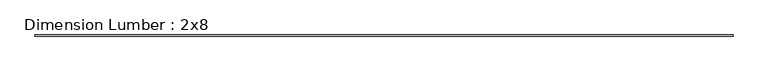
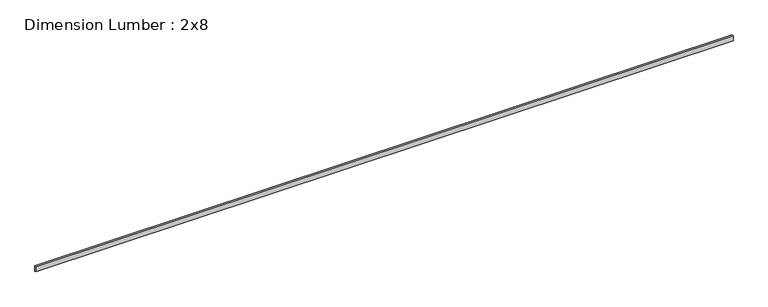
"""IFC4 building model written with IfcOpenShell, lengths in millimetres: beam geometry, Dimension Lumber : 2x8."""

import ifcopenshell
import ifcopenshell.guid

model = None  # the IFC model being written
_history = None  # IfcOwnerHistory: only IFC2X3 demands one
_inside = {}  # id of a spatial element -> (the spatial element, [elements in it])
_under = {}  # id of a project, library or spatial element -> (it, [spatial elements below it])
_declared = {}  # id of a project -> (the project, [libraries it declares])
_typed = {}  # id of a type object -> (the type object, [elements of that type])
_made_of = {}  # id of a material, layer set ... -> (it, [elements and type objects made of it])


def new_model(schema):
    """Start an empty IFC model of exactly this schema.

    Asked for "IFC4X3", IfcOpenShell would pick the latest addendum, in which some entities
    have other attributes; the version numbers below select the first issue.
    IFC2X3 requires an IfcOwnerHistory on every rooted entity: one is made here for all.
    """
    global model, _history
    if schema == "IFC4X3":
        model = ifcopenshell.file(schema_version=(4, 3, 0, 0))
    else:
        model = ifcopenshell.file(schema=schema)
    _inside.clear()
    _under.clear()
    _declared.clear()
    _typed.clear()
    _made_of.clear()
    _history = None
    if model.schema == "IFC2X3":
        org = make("IfcOrganization", Name="unknown")
        user = make(
            "IfcPersonAndOrganization",
            ThePerson=make("IfcPerson", FamilyName="unknown"),
            TheOrganization=org,
        )
        app = make(
            "IfcApplication",
            ApplicationDeveloper=org,
            Version="unknown",
            ApplicationFullName="unknown",
            ApplicationIdentifier="unknown",
        )
        _history = make(
            "IfcOwnerHistory",
            OwningUser=user,
            OwningApplication=app,
            ChangeAction="ADDED",
            CreationDate=0,
        )
    return model


def make(cls, **values):
    """One entity of the class cls with the attributes given. An attribute that is None is left unset."""
    return model.create_entity(
        cls, **{name: value for name, value in values.items() if value is not None}
    )


def rooted(cls, **values):
    """An entity with a GlobalId (a new one), such as an element, a storey or a relation."""
    return make(cls, GlobalId=ifcopenshell.guid.new(), OwnerHistory=_history, **values)


def si_unit(unit_type, name, prefix=None):
    """IfcSIUnit, for example si_unit("LENGTHUNIT", "METRE", prefix="MILLI")."""
    return make("IfcSIUnit", UnitType=unit_type, Prefix=prefix, Name=name)


def assignment(units):
    """IfcUnitAssignment: the units of a project."""
    return None if units is None else make("IfcUnitAssignment", Units=units)


def point(xyz):
    """IfcCartesianPoint."""
    return None if xyz is None else make("IfcCartesianPoint", Coordinates=xyz)


def direction(xyz):
    """IfcDirection."""
    return None if xyz is None else make("IfcDirection", DirectionRatios=xyz)


def frame(location, z_axis=None, x_axis=None):
    """IfcAxis2Placement3D, a coordinate frame: its origin and axes. An axis left out is left unset."""
    return make(
        "IfcAxis2Placement3D",
        Location=point(location),
        Axis=direction(z_axis),
        RefDirection=direction(x_axis),
    )


def origin():
    """The frame at (0, 0, 0) with its axes left unset."""
    return frame((0.0, 0.0, 0.0))


def place(relative_to, where):
    """IfcLocalPlacement: puts the frame where relative to a parent placement (None: the world)."""
    return make(
        "IfcLocalPlacement", PlacementRelTo=relative_to, RelativePlacement=where
    )


def context(
    kind, dimensions, precision=None, world=None, true_north=None, identifier=None
):
    """IfcGeometricRepresentationContext, for example the 3D "Model" context."""
    return make(
        "IfcGeometricRepresentationContext",
        ContextIdentifier=identifier,
        ContextType=kind,
        CoordinateSpaceDimension=dimensions,
        Precision=precision,
        WorldCoordinateSystem=world,
        TrueNorth=true_north,
    )


def project(units=None, contexts=None):
    """IfcProject with its units and contexts."""
    return rooted(
        "IfcProject",
        Name="project",
        RepresentationContexts=contexts,
        UnitsInContext=assignment(units),
    )


def spatial(cls, under=None, at=None, **own):
    """A site, building, storey or space (cls), placed at a placement, below another one or the project."""
    s = rooted(cls, ObjectPlacement=at, **own)
    if under is not None:
        _under.setdefault(under.id(), (under, []))[1].append(s)
    return s


def polyline(points):
    """IfcPolyline through the points."""
    return make("IfcPolyline", Points=[point(p) for p in points])


def outline(outer, holes=None, kind="AREA"):
    """IfcArbitraryClosedProfileDef: a profile drawn as a closed curve; with holes, ...WithVoids."""
    if holes is None:
        return make("IfcArbitraryClosedProfileDef", ProfileType=kind, OuterCurve=outer)
    return make(
        "IfcArbitraryProfileDefWithVoids",
        ProfileType=kind,
        OuterCurve=outer,
        InnerCurves=holes,
    )


def extrude(swept, where, along, depth):
    """IfcExtrudedAreaSolid: the profile swept, set in the frame where, extruded along a direction by depth."""
    return make(
        "IfcExtrudedAreaSolid",
        SweptArea=swept,
        Position=where,
        ExtrudedDirection=direction(along),
        Depth=depth,
    )


def shape(context_of_items, identifier, shape_type, items):
    """IfcShapeRepresentation: the items that make up one representation, for example the "Body"."""
    return make(
        "IfcShapeRepresentation",
        ContextOfItems=context_of_items,
        RepresentationIdentifier=identifier,
        RepresentationType=shape_type,
        Items=items,
    )


def source(mapping_origin, context_of_items, identifier, shape_type, items):
    """IfcRepresentationMap: a shape defined once, which mapped items show again and again."""
    return make(
        "IfcRepresentationMap",
        MappingOrigin=mapping_origin,
        MappedRepresentation=shape(context_of_items, identifier, shape_type, items),
    )


def transform(
    local_origin,
    x_axis=None,
    y_axis=None,
    z_axis=None,
    scale=None,
    scale2=None,
    scale3=None,
    uniform=True,
):
    """IfcCartesianTransformationOperator3D, or its non-uniform kind. x_axis, y_axis, z_axis: its Axis1, 2, 3."""
    if uniform:
        return make(
            "IfcCartesianTransformationOperator3D",
            Axis1=direction(x_axis),
            Axis2=direction(y_axis),
            LocalOrigin=point(local_origin),
            Scale=scale,
            Axis3=direction(z_axis),
        )
    return make(
        "IfcCartesianTransformationOperator3DnonUniform",
        Axis1=direction(x_axis),
        Axis2=direction(y_axis),
        LocalOrigin=point(local_origin),
        Scale=scale,
        Axis3=direction(z_axis),
        Scale2=scale2,
        Scale3=scale3,
    )


def mapped(mapping_source, mapping_target):
    """IfcMappedItem: shows the shape of a source again, moved by a transform."""
    return make(
        "IfcMappedItem", MappingSource=mapping_source, MappingTarget=mapping_target
    )


def made_of(thing, what):
    """Note that an element or type object is made of a material, layer set ...; save() writes the relation."""
    if what is not None:
        _made_of.setdefault(what.id(), (what, []))[1].append(thing)
    return thing


def element(
    cls,
    number,
    at=None,
    inside=None,
    cuts=None,
    type_object=None,
    material=None,
    context=None,
    identifier="Body",
    shape_type=None,
    held_by="IfcProductDefinitionShape",
    body=None,
    shapes=None,
    **own,
):
    """One element of the class cls, such as IfcWall. Its Tag is "e" and its number.

    at: its placement. inside: the storey or other place that contains it. cuts: it is an
    opening in that element (IfcRelVoidsElement). A single representation is given by context,
    identifier, shape_type and body (its items); several are given by shapes. held_by: the class
    of the entity that holds the representations. save() writes the other relations.
    """
    e = rooted(cls, Tag="e%d" % number, ObjectPlacement=at, **own)
    if body is not None:
        shapes = [shape(context, identifier, shape_type, body)]
    if shapes is not None:
        e.Representation = make(held_by, Representations=shapes)
    if inside is not None:
        _inside.setdefault(inside.id(), (inside, []))[1].append(e)
    if cuts is not None:
        rooted(
            "IfcRelVoidsElement", RelatingBuildingElement=cuts, RelatedOpeningElement=e
        )
    if type_object is not None:
        _typed.setdefault(type_object.id(), (type_object, []))[1].append(e)
    return made_of(e, material)


def aggregate(whole, parts):
    """IfcRelAggregates: a whole, such as a stair, and the parts it consists of."""
    return rooted("IfcRelAggregates", RelatingObject=whole, RelatedObjects=parts)


def save(model, path):
    """Write the relations noted so far, then the file.

    IfcRelAggregates (storeys below a building ...), IfcRelContainedInSpatialStructure (elements
    in a storey), IfcRelDefinesByType, IfcRelAssociatesMaterial and IfcRelDeclares: one each for
    every whole, place, type object, material and project.
    """
    for whole, parts in _under.values():
        aggregate(whole, parts)
    for where, things in _inside.values():
        rooted(
            "IfcRelContainedInSpatialStructure",
            RelatedElements=things,
            RelatingStructure=where,
        )
    for kind, things in _typed.values():
        rooted("IfcRelDefinesByType", RelatedObjects=things, RelatingType=kind)
    for what, things in _made_of.values():
        rooted("IfcRelAssociatesMaterial", RelatedObjects=things, RelatingMaterial=what)
    for by, libraries in _declared.values():
        rooted("IfcRelDeclares", RelatingContext=by, RelatedDefinitions=libraries)
    model.write(path)


def dimension_lumber_2x8_c7b5a10f(model_context):
    return source(origin(), model_context, "Body", "SweptSolid", [
        extrude(outline(polyline([(11275.8264371, 19.05), (11275.8264371, -19.05), (-11275.8264371, -19.05), (-11275.8264371, 19.05), (11275.8264371, 19.05)])), frame((0.0, 0.0, -92.075), z_axis=(0.0, 0.0, 1.0), x_axis=(1.0, 0.0, 0.0)), (0.0, 0.0, 1.0), 184.15),
    ])


if __name__ == "__main__":
    model = new_model("IFC4")
    model_context = context("Model", 3, world=origin())
    ifc_project = project(units=[si_unit("LENGTHUNIT", "METRE", prefix="MILLI")], contexts=[model_context])
    site = spatial("IfcSite", under=ifc_project)
    building = spatial("IfcBuilding", under=site)
    placement = place(None, origin())
    dimension_lumber_2x8_shape = dimension_lumber_2x8_c7b5a10f(model_context)
    element("IfcBeam", 1, ObjectType="Dimension Lumber : 2x8", at=placement, inside=building, context=model_context, shape_type="MappedRepresentation", body=[
        mapped(dimension_lumber_2x8_shape, transform((0.0, 0.0, 0.0), x_axis=(1.0, 0.0, 0.0), y_axis=(0.0, 1.0, 0.0), z_axis=(0.0, 0.0, 1.0))),
    ])
    save(model, "model.ifc")
